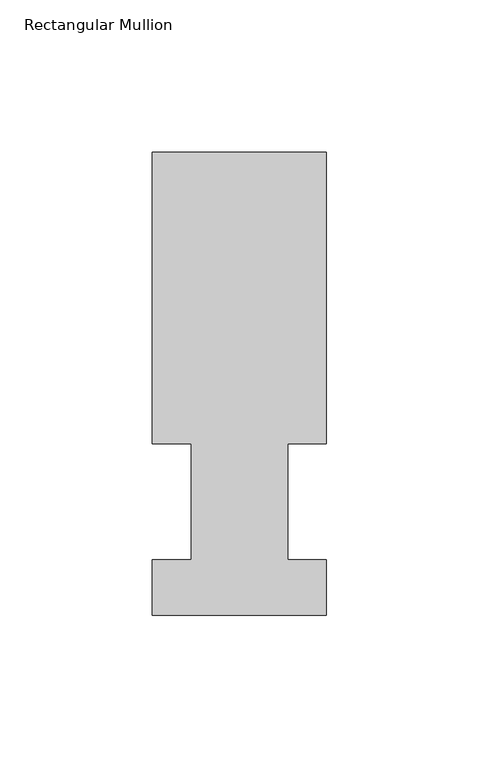
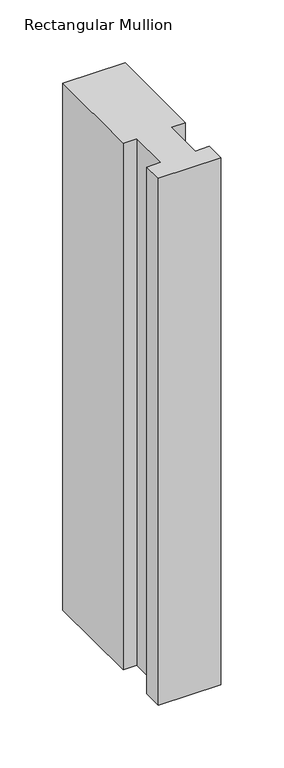
"""IFC4 building model written with IfcOpenShell, lengths in millimetres: member geometry, Rectangular Mullion."""

from ifc_helpers import new_model, si_unit, frame, origin, place, context, project, spatial, polyline, outline, extrude, source, transform, mapped, element, save


def rectangular_mullion_425059f6(model_context):
    return source(origin(), model_context, "Body", "SweptSolid", [
        extrude(outline(polyline([(0.0, 151.98725), (0.0, 56.35625), (-12.7, 56.35625), (-12.7, 18.25625), (0.0, 18.25625), (0.0, -0.03175), (-57.15, -0.03175), (-57.15, 18.25625), (-44.45, 18.25625), (-44.45, 56.35625), (-57.15, 56.35625), (-57.15, 151.98725), (0.0, 151.98725)])), frame((0.0, 0.0, -511.175), z_axis=(0.0, 0.0, 1.0), x_axis=(1.0, 0.0, 0.0)), (0.0, 0.0, 1.0), 511.175),
    ])


if __name__ == "__main__":
    model = new_model("IFC4")
    model_context = context("Model", 3, world=origin())
    ifc_project = project(units=[si_unit("LENGTHUNIT", "METRE", prefix="MILLI")], contexts=[model_context])
    site = spatial("IfcSite", under=ifc_project)
    building = spatial("IfcBuilding", under=site)
    placement = place(None, origin())
    rectangular_mullion_shape = rectangular_mullion_425059f6(model_context)
    element("IfcMember", 1, ObjectType="Rectangular Mullion", at=placement, inside=building, context=model_context, shape_type="MappedRepresentation", body=[
        mapped(rectangular_mullion_shape, transform((0.0, 0.0, 0.0), x_axis=(1.0, 0.0, 0.0), y_axis=(0.0, 1.0, 0.0), z_axis=(0.0, 0.0, 1.0))),
    ])
    save(model, "model.ifc")
